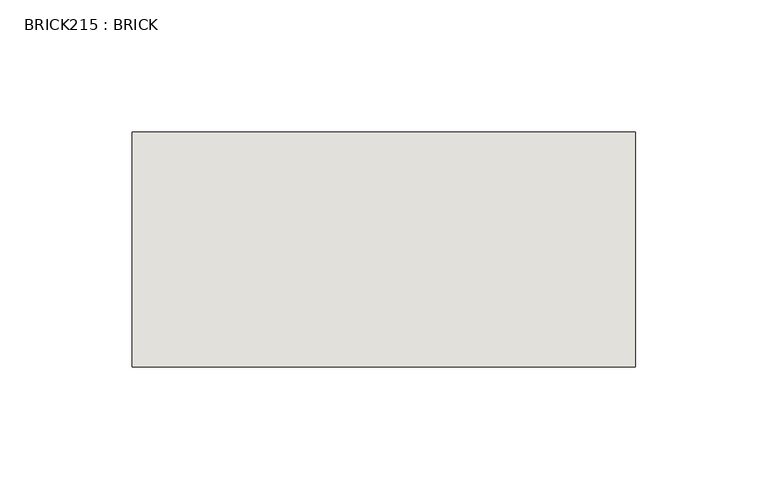
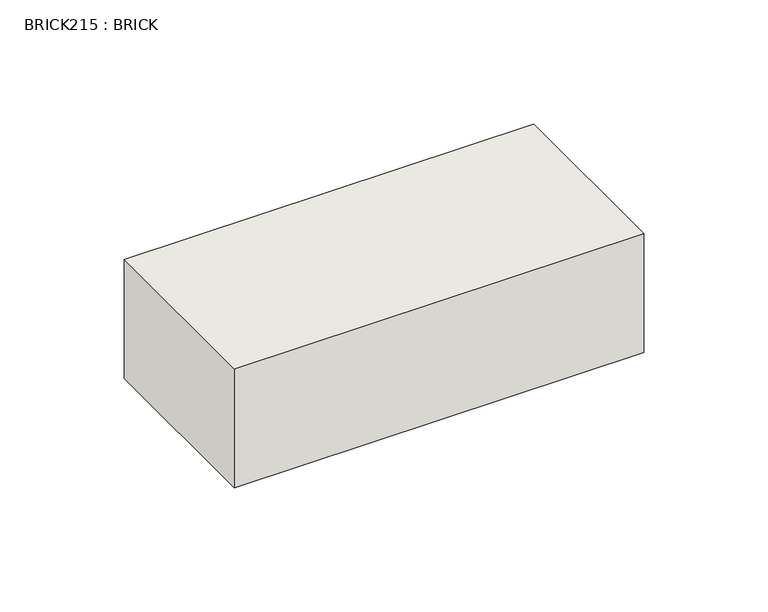
"""IFC4 building model written with IfcOpenShell, lengths in millimetres: wall geometry, BRICK215 : BRICK."""

from ifc_helpers import new_model, si_unit, frame, origin, place, context, project, spatial, polyline, outline, extrude, source, transform, mapped, element, save


def brick215_brick_1dc45898(model_context):
    return source(origin(), model_context, "Body", "SweptSolid", [
        extrude(outline(polyline([(-1175.1316239, 3062.3923312), (-984.6316239, 3062.3923312), (-984.6316239, 2973.4923312), (-1175.1316239, 2973.4923312), (-1175.1316239, 3062.3923312)])), frame((0.0, 0.0, 353.7148438), z_axis=(0.0, 0.0, 1.0), x_axis=(1.0, 0.0, 0.0)), (0.0, 0.0, 1.0), 58.4398437),
    ])


if __name__ == "__main__":
    model = new_model("IFC4")
    model_context = context("Model", 3, world=origin())
    ifc_project = project(units=[si_unit("LENGTHUNIT", "METRE", prefix="MILLI")], contexts=[model_context])
    site = spatial("IfcSite", under=ifc_project)
    building = spatial("IfcBuilding", under=site)
    placement = place(None, origin())
    brick215_brick_shape = brick215_brick_1dc45898(model_context)
    element("IfcWall", 1, ObjectType="BRICK215 : BRICK", at=placement, inside=building, context=model_context, shape_type="MappedRepresentation", body=[
        mapped(brick215_brick_shape, transform((0.0, 0.0, 0.0), x_axis=(1.0, 0.0, 0.0), y_axis=(0.0, 1.0, 0.0), z_axis=(0.0, 0.0, 1.0))),
    ])
    save(model, "model.ifc")
